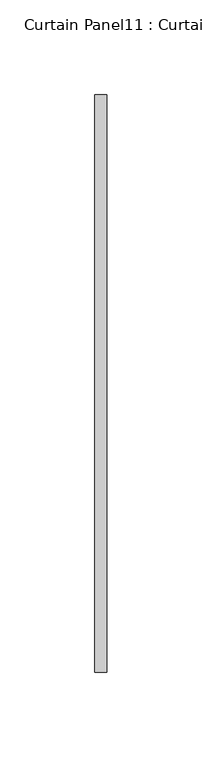
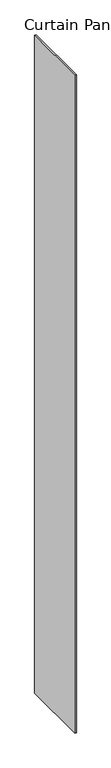
"""IFC4 building model written with IfcOpenShell, lengths in millimetres: plate geometry, Curtain Panel11 : Curtain Panel."""

from ifc_helpers import new_model, si_unit, origin, origin_with_axes, place, context, project, spatial, polyline, outline, extrude, source, transform, mapped, element, save


def curtain_panel11_curtain_panel_34a2463a(model_context):
    return source(origin(), model_context, "Body", "SweptSolid", [
        extrude(outline(polyline([(148770.0920608, 2030.7041784), (148770.0920608, 2335.5041784), (148776.4420608, 2335.5041784), (148776.4420608, 2030.7041784), (148770.0920608, 2030.7041784)])), origin_with_axes(), (0.0, 0.0, 1.0), 3048.0),
    ])


if __name__ == "__main__":
    model = new_model("IFC4")
    model_context = context("Model", 3, world=origin())
    ifc_project = project(units=[si_unit("LENGTHUNIT", "METRE", prefix="MILLI")], contexts=[model_context])
    site = spatial("IfcSite", under=ifc_project)
    building = spatial("IfcBuilding", under=site)
    placement = place(None, origin())
    curtain_panel11_curtain_panel_shape = curtain_panel11_curtain_panel_34a2463a(model_context)
    element("IfcPlate", 1, ObjectType="Curtain Panel11 : Curtain Panel", at=placement, inside=building, context=model_context, shape_type="MappedRepresentation", body=[
        mapped(curtain_panel11_curtain_panel_shape, transform((0.0, 0.0, 0.0), x_axis=(1.0, 0.0, 0.0), y_axis=(0.0, 1.0, 0.0), z_axis=(0.0, 0.0, 1.0))),
    ])
    save(model, "model.ifc")
